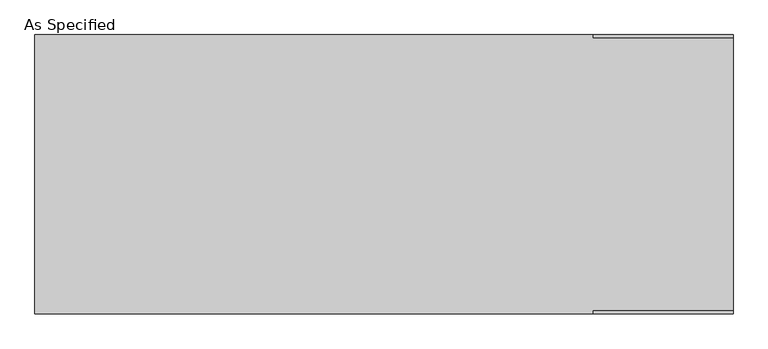
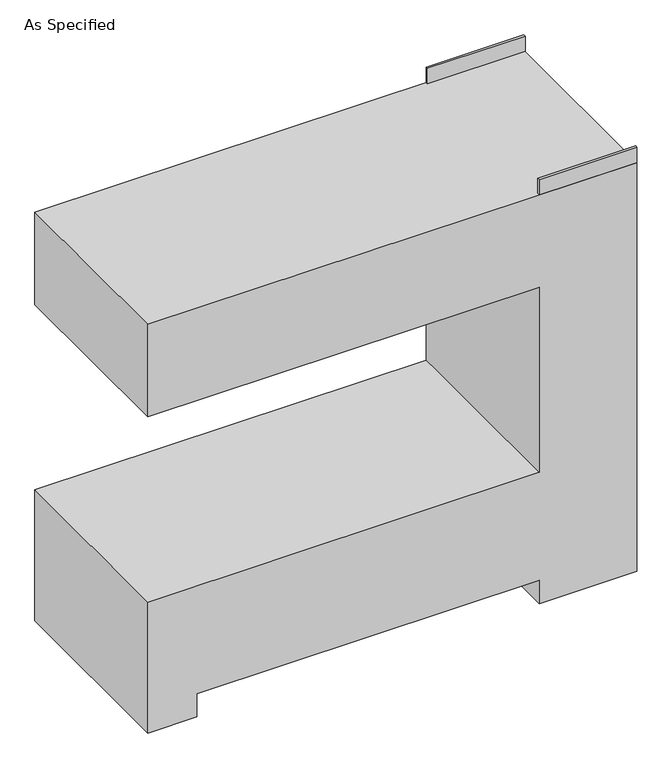
"""IFC4 building model written with IfcOpenShell, lengths in millimetres: proxy geometry, As Specified."""

from ifc_helpers import new_model, si_unit, frame, origin, place, context, project, spatial, polyline, outline, extrude, source, transform, mapped, element, save


def as_specified_3666507f(model_context):
    return source(origin(), model_context, "Body", "SweptSolid", [
        extrude(outline(polyline([(457.2, -304.8), (457.2, -298.45), (762.0, -298.45), (762.0, -304.8), (457.2, -304.8)])), frame((0.0, 0.0, 1346.2), z_axis=(0.0, 0.0, 1.0), x_axis=(1.0, 0.0, 0.0)), (0.0, 0.0, 1.0), 50.8),
        extrude(outline(polyline([(457.2, 298.45), (457.2, 304.8), (762.0, 304.8), (762.0, 298.45), (457.2, 298.45)])), frame((0.0, 0.0, 1346.2), z_axis=(0.0, 0.0, 1.0), x_axis=(1.0, 0.0, 0.0)), (0.0, 0.0, 1.0), 50.8),
        extrude(outline(polyline([(1346.2, 762.0), (1346.2, -762.0), (1041.4, -762.0), (1041.4, 457.2), (431.8, 457.2), (431.8, -762.0), (0.0, -762.0), (0.0, -609.6), (76.2, -609.6), (76.2, 457.2), (0.0, 457.2), (0.0, 762.0), (1346.2, 762.0)])), frame((0.0, -304.8, 0.0), z_axis=(0.0, 1.0, 0.0), x_axis=(0.0, 0.0, 1.0)), (0.0, 0.0, 1.0), 609.6),
    ])


if __name__ == "__main__":
    model = new_model("IFC4")
    model_context = context("Model", 3, world=origin())
    ifc_project = project(units=[si_unit("LENGTHUNIT", "METRE", prefix="MILLI")], contexts=[model_context])
    site = spatial("IfcSite", under=ifc_project)
    building = spatial("IfcBuilding", under=site)
    placement = place(None, origin())
    as_specified_shape = as_specified_3666507f(model_context)
    element("IfcBuildingElementProxy", 1, Name="As Specified", ObjectType="As Specified", at=placement, inside=building, context=model_context, shape_type="MappedRepresentation", body=[
        mapped(as_specified_shape, transform((0.0, 0.0, 0.0), x_axis=(1.0, 0.0, 0.0), y_axis=(0.0, 1.0, 0.0), z_axis=(0.0, 0.0, 1.0))),
    ])
    save(model, "model.ifc")
